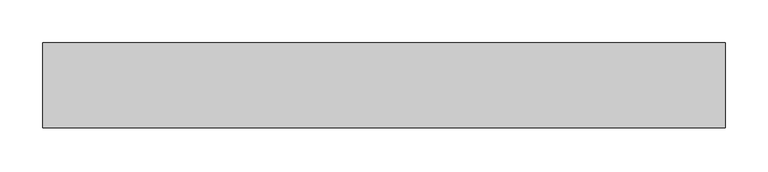
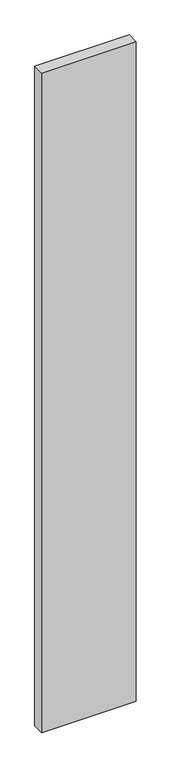
"""IFC4 building model written with IfcOpenShell, lengths in millimetres: proxy geometry."""

import ifcopenshell
import ifcopenshell.guid

model = None  # the IFC model being written
_history = None  # IfcOwnerHistory: only IFC2X3 demands one
_inside = {}  # id of a spatial element -> (the spatial element, [elements in it])
_under = {}  # id of a project, library or spatial element -> (it, [spatial elements below it])
_declared = {}  # id of a project -> (the project, [libraries it declares])
_typed = {}  # id of a type object -> (the type object, [elements of that type])
_made_of = {}  # id of a material, layer set ... -> (it, [elements and type objects made of it])


def new_model(schema):
    """Start an empty IFC model of exactly this schema.

    Asked for "IFC4X3", IfcOpenShell would pick the latest addendum, in which some entities
    have other attributes; the version numbers below select the first issue.
    IFC2X3 requires an IfcOwnerHistory on every rooted entity: one is made here for all.
    """
    global model, _history
    if schema == "IFC4X3":
        model = ifcopenshell.file(schema_version=(4, 3, 0, 0))
    else:
        model = ifcopenshell.file(schema=schema)
    _inside.clear()
    _under.clear()
    _declared.clear()
    _typed.clear()
    _made_of.clear()
    _history = None
    if model.schema == "IFC2X3":
        org = make("IfcOrganization", Name="unknown")
        user = make(
            "IfcPersonAndOrganization",
            ThePerson=make("IfcPerson", FamilyName="unknown"),
            TheOrganization=org,
        )
        app = make(
            "IfcApplication",
            ApplicationDeveloper=org,
            Version="unknown",
            ApplicationFullName="unknown",
            ApplicationIdentifier="unknown",
        )
        _history = make(
            "IfcOwnerHistory",
            OwningUser=user,
            OwningApplication=app,
            ChangeAction="ADDED",
            CreationDate=0,
        )
    return model


def make(cls, **values):
    """One entity of the class cls with the attributes given. An attribute that is None is left unset."""
    return model.create_entity(
        cls, **{name: value for name, value in values.items() if value is not None}
    )


def rooted(cls, **values):
    """An entity with a GlobalId (a new one), such as an element, a storey or a relation."""
    return make(cls, GlobalId=ifcopenshell.guid.new(), OwnerHistory=_history, **values)


def si_unit(unit_type, name, prefix=None):
    """IfcSIUnit, for example si_unit("LENGTHUNIT", "METRE", prefix="MILLI")."""
    return make("IfcSIUnit", UnitType=unit_type, Prefix=prefix, Name=name)


def assignment(units):
    """IfcUnitAssignment: the units of a project."""
    return None if units is None else make("IfcUnitAssignment", Units=units)


def point(xyz):
    """IfcCartesianPoint."""
    return None if xyz is None else make("IfcCartesianPoint", Coordinates=xyz)


def direction(xyz):
    """IfcDirection."""
    return None if xyz is None else make("IfcDirection", DirectionRatios=xyz)


def frame(location, z_axis=None, x_axis=None):
    """IfcAxis2Placement3D, a coordinate frame: its origin and axes. An axis left out is left unset."""
    return make(
        "IfcAxis2Placement3D",
        Location=point(location),
        Axis=direction(z_axis),
        RefDirection=direction(x_axis),
    )


def origin():
    """The frame at (0, 0, 0) with its axes left unset."""
    return frame((0.0, 0.0, 0.0))


def place(relative_to, where):
    """IfcLocalPlacement: puts the frame where relative to a parent placement (None: the world)."""
    return make(
        "IfcLocalPlacement", PlacementRelTo=relative_to, RelativePlacement=where
    )


def context(
    kind, dimensions, precision=None, world=None, true_north=None, identifier=None
):
    """IfcGeometricRepresentationContext, for example the 3D "Model" context."""
    return make(
        "IfcGeometricRepresentationContext",
        ContextIdentifier=identifier,
        ContextType=kind,
        CoordinateSpaceDimension=dimensions,
        Precision=precision,
        WorldCoordinateSystem=world,
        TrueNorth=true_north,
    )


def project(units=None, contexts=None):
    """IfcProject with its units and contexts."""
    return rooted(
        "IfcProject",
        Name="project",
        RepresentationContexts=contexts,
        UnitsInContext=assignment(units),
    )


def spatial(cls, under=None, at=None, **own):
    """A site, building, storey or space (cls), placed at a placement, below another one or the project."""
    s = rooted(cls, ObjectPlacement=at, **own)
    if under is not None:
        _under.setdefault(under.id(), (under, []))[1].append(s)
    return s


def polyline(points):
    """IfcPolyline through the points."""
    return make("IfcPolyline", Points=[point(p) for p in points])


def outline(outer, holes=None, kind="AREA"):
    """IfcArbitraryClosedProfileDef: a profile drawn as a closed curve; with holes, ...WithVoids."""
    if holes is None:
        return make("IfcArbitraryClosedProfileDef", ProfileType=kind, OuterCurve=outer)
    return make(
        "IfcArbitraryProfileDefWithVoids",
        ProfileType=kind,
        OuterCurve=outer,
        InnerCurves=holes,
    )


def extrude(swept, where, along, depth):
    """IfcExtrudedAreaSolid: the profile swept, set in the frame where, extruded along a direction by depth."""
    return make(
        "IfcExtrudedAreaSolid",
        SweptArea=swept,
        Position=where,
        ExtrudedDirection=direction(along),
        Depth=depth,
    )


def shape(context_of_items, identifier, shape_type, items):
    """IfcShapeRepresentation: the items that make up one representation, for example the "Body"."""
    return make(
        "IfcShapeRepresentation",
        ContextOfItems=context_of_items,
        RepresentationIdentifier=identifier,
        RepresentationType=shape_type,
        Items=items,
    )


def source(mapping_origin, context_of_items, identifier, shape_type, items):
    """IfcRepresentationMap: a shape defined once, which mapped items show again and again."""
    return make(
        "IfcRepresentationMap",
        MappingOrigin=mapping_origin,
        MappedRepresentation=shape(context_of_items, identifier, shape_type, items),
    )


def transform(
    local_origin,
    x_axis=None,
    y_axis=None,
    z_axis=None,
    scale=None,
    scale2=None,
    scale3=None,
    uniform=True,
):
    """IfcCartesianTransformationOperator3D, or its non-uniform kind. x_axis, y_axis, z_axis: its Axis1, 2, 3."""
    if uniform:
        return make(
            "IfcCartesianTransformationOperator3D",
            Axis1=direction(x_axis),
            Axis2=direction(y_axis),
            LocalOrigin=point(local_origin),
            Scale=scale,
            Axis3=direction(z_axis),
        )
    return make(
        "IfcCartesianTransformationOperator3DnonUniform",
        Axis1=direction(x_axis),
        Axis2=direction(y_axis),
        LocalOrigin=point(local_origin),
        Scale=scale,
        Axis3=direction(z_axis),
        Scale2=scale2,
        Scale3=scale3,
    )


def mapped(mapping_source, mapping_target):
    """IfcMappedItem: shows the shape of a source again, moved by a transform."""
    return make(
        "IfcMappedItem", MappingSource=mapping_source, MappingTarget=mapping_target
    )


def made_of(thing, what):
    """Note that an element or type object is made of a material, layer set ...; save() writes the relation."""
    if what is not None:
        _made_of.setdefault(what.id(), (what, []))[1].append(thing)
    return thing


def element(
    cls,
    number,
    at=None,
    inside=None,
    cuts=None,
    type_object=None,
    material=None,
    context=None,
    identifier="Body",
    shape_type=None,
    held_by="IfcProductDefinitionShape",
    body=None,
    shapes=None,
    **own,
):
    """One element of the class cls, such as IfcWall. Its Tag is "e" and its number.

    at: its placement. inside: the storey or other place that contains it. cuts: it is an
    opening in that element (IfcRelVoidsElement). A single representation is given by context,
    identifier, shape_type and body (its items); several are given by shapes. held_by: the class
    of the entity that holds the representations. save() writes the other relations.
    """
    e = rooted(cls, Tag="e%d" % number, ObjectPlacement=at, **own)
    if body is not None:
        shapes = [shape(context, identifier, shape_type, body)]
    if shapes is not None:
        e.Representation = make(held_by, Representations=shapes)
    if inside is not None:
        _inside.setdefault(inside.id(), (inside, []))[1].append(e)
    if cuts is not None:
        rooted(
            "IfcRelVoidsElement", RelatingBuildingElement=cuts, RelatedOpeningElement=e
        )
    if type_object is not None:
        _typed.setdefault(type_object.id(), (type_object, []))[1].append(e)
    return made_of(e, material)


def aggregate(whole, parts):
    """IfcRelAggregates: a whole, such as a stair, and the parts it consists of."""
    return rooted("IfcRelAggregates", RelatingObject=whole, RelatedObjects=parts)


def save(model, path):
    """Write the relations noted so far, then the file.

    IfcRelAggregates (storeys below a building ...), IfcRelContainedInSpatialStructure (elements
    in a storey), IfcRelDefinesByType, IfcRelAssociatesMaterial and IfcRelDeclares: one each for
    every whole, place, type object, material and project.
    """
    for whole, parts in _under.values():
        aggregate(whole, parts)
    for where, things in _inside.values():
        rooted(
            "IfcRelContainedInSpatialStructure",
            RelatedElements=things,
            RelatingStructure=where,
        )
    for kind, things in _typed.values():
        rooted("IfcRelDefinesByType", RelatedObjects=things, RelatingType=kind)
    for what, things in _made_of.values():
        rooted("IfcRelAssociatesMaterial", RelatedObjects=things, RelatingMaterial=what)
    for by, libraries in _declared.values():
        rooted("IfcRelDeclares", RelatingContext=by, RelatedDefinitions=libraries)
    model.write(path)


def generic_models_1e221c9e(model_context):
    return source(origin(), model_context, "Body", "SweptSolid", [
        extrude(outline(polyline([(800.0, 100.0), (800.0, 0.0), (0.0, 0.0), (0.0, 100.0), (800.0, 100.0)])), frame((0.0, 0.0, -5900.0), z_axis=(0.0, 0.0, 1.0), x_axis=(1.0, 0.0, 0.0)), (0.0, 0.0, 1.0), 5900.0),
    ])


if __name__ == "__main__":
    model = new_model("IFC4")
    model_context = context("Model", 3, world=origin())
    ifc_project = project(units=[si_unit("LENGTHUNIT", "METRE", prefix="MILLI")], contexts=[model_context])
    site = spatial("IfcSite", under=ifc_project)
    building = spatial("IfcBuilding", under=site)
    placement = place(None, origin())
    generic_models_shape = generic_models_1e221c9e(model_context)
    element("IfcBuildingElementProxy", 1, Name="Generic Models", at=placement, inside=building, context=model_context, shape_type="MappedRepresentation", body=[
        mapped(generic_models_shape, transform((0.0, 0.0, 0.0), x_axis=(1.0, 0.0, 0.0), y_axis=(0.0, 1.0, 0.0), z_axis=(0.0, 0.0, 1.0))),
    ])
    save(model, "model.ifc")
